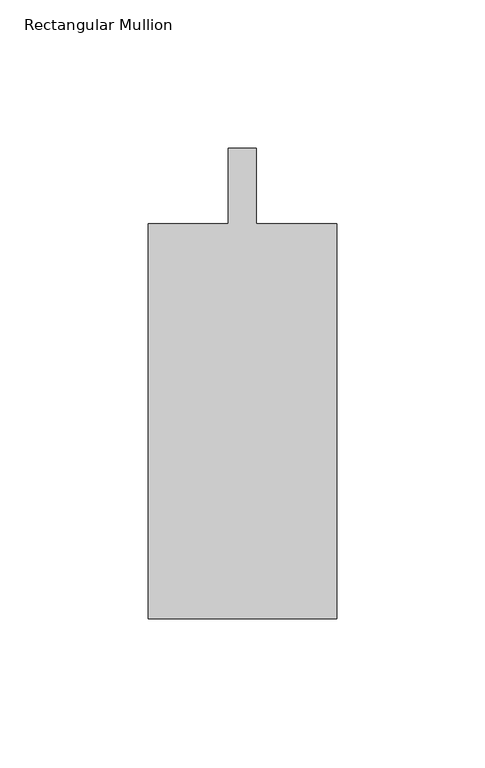
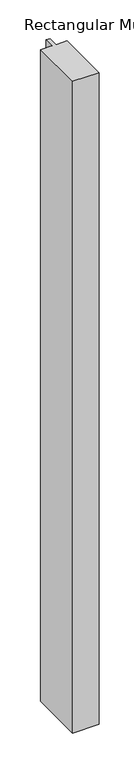
"""IFC4 building model written with IfcOpenShell, lengths in millimetres: member geometry, Rectangular Mullion."""

from ifc_helpers import new_model, si_unit, frame, origin, place, context, project, spatial, polyline, outline, extrude, source, transform, mapped, element, save


def rectangular_mullion_7d516e33(model_context):
    return source(origin(), model_context, "Body", "SweptSolid", [
        extrude(outline(polyline([(-4.7625, -12.7), (-4.7625, 12.7), (4.7625, 12.7), (4.7625, -12.7), (31.75, -12.7), (31.75, -146.05), (-31.75, -146.05), (-31.75, -12.7), (-4.7625, -12.7)])), frame((0.0, 0.0, -1663.7), z_axis=(0.0, 0.0, 1.0), x_axis=(1.0, 0.0, 0.0)), (0.0, 0.0, 1.0), 1663.7),
    ])


if __name__ == "__main__":
    model = new_model("IFC4")
    model_context = context("Model", 3, world=origin())
    ifc_project = project(units=[si_unit("LENGTHUNIT", "METRE", prefix="MILLI")], contexts=[model_context])
    site = spatial("IfcSite", under=ifc_project)
    building = spatial("IfcBuilding", under=site)
    placement = place(None, origin())
    rectangular_mullion_shape = rectangular_mullion_7d516e33(model_context)
    element("IfcMember", 1, ObjectType="Rectangular Mullion", at=placement, inside=building, context=model_context, shape_type="MappedRepresentation", body=[
        mapped(rectangular_mullion_shape, transform((0.0, 0.0, 0.0), x_axis=(1.0, 0.0, 0.0), y_axis=(0.0, 1.0, 0.0), z_axis=(0.0, 0.0, 1.0))),
    ])
    save(model, "model.ifc")
